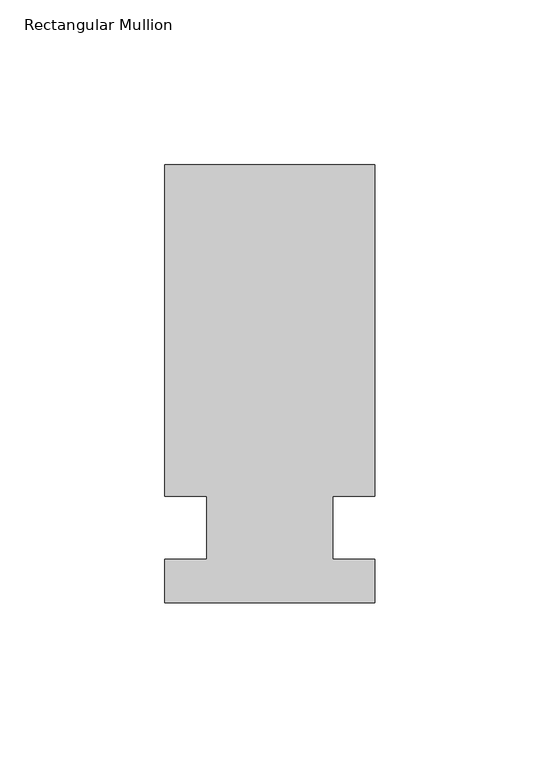
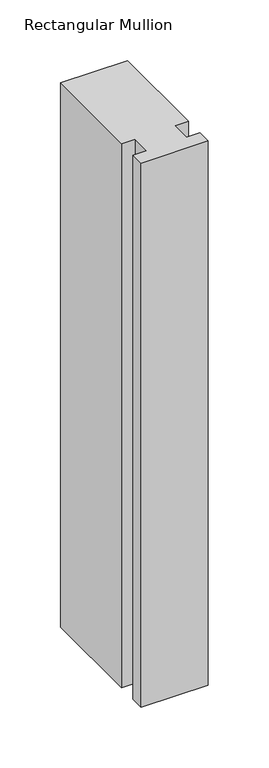
"""IFC4 building model written with IfcOpenShell, lengths in millimetres: member geometry, Rectangular Mullion."""

from ifc_helpers import new_model, si_unit, frame, origin, place, context, project, spatial, polyline, outline, extrude, source, transform, mapped, element, save


def rectangular_mullion_3f6be4ac(model_context):
    return source(origin(), model_context, "Body", "SweptSolid", [
        extrude(outline(polyline([(-63.5, 132.6522936), (0.0, 132.6522936), (0.0, 32.2460937), (-12.7, 32.2460937), (-12.7, 13.1960936), (0.0, 13.1960936), (0.0, 0.0134937), (-63.5, 0.0134937), (-63.5, 13.1960937), (-50.8, 13.1960937), (-50.8, 32.2460937), (-63.5, 32.2460937), (-63.5, 132.6522936)])), frame((0.0, 0.0, -546.1), z_axis=(0.0, 0.0, 1.0), x_axis=(1.0, 0.0, 0.0)), (0.0, 0.0, 1.0), 546.1),
    ])


if __name__ == "__main__":
    model = new_model("IFC4")
    model_context = context("Model", 3, world=origin())
    ifc_project = project(units=[si_unit("LENGTHUNIT", "METRE", prefix="MILLI")], contexts=[model_context])
    site = spatial("IfcSite", under=ifc_project)
    building = spatial("IfcBuilding", under=site)
    placement = place(None, origin())
    rectangular_mullion_shape = rectangular_mullion_3f6be4ac(model_context)
    element("IfcMember", 1, ObjectType="Rectangular Mullion", at=placement, inside=building, context=model_context, shape_type="MappedRepresentation", body=[
        mapped(rectangular_mullion_shape, transform((0.0, 0.0, 0.0), x_axis=(1.0, 0.0, 0.0), y_axis=(0.0, 1.0, 0.0), z_axis=(0.0, 0.0, 1.0))),
    ])
    save(model, "model.ifc")
